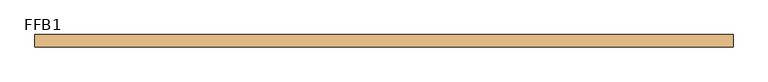
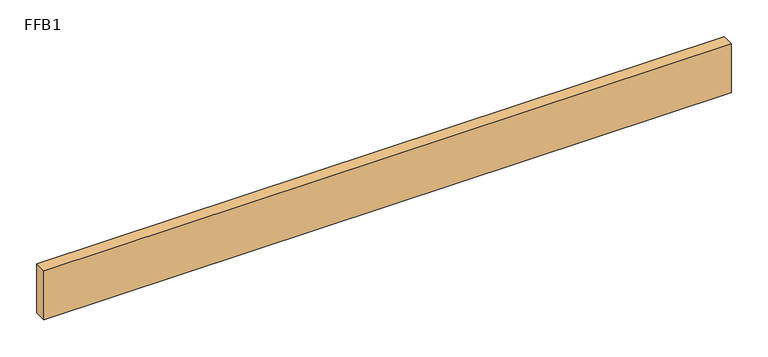
"""IFC4 building model written with IfcOpenShell, lengths in millimetres: door geometry, FFB1."""

import ifcopenshell
import ifcopenshell.guid

model = None  # the IFC model being written
_history = None  # IfcOwnerHistory: only IFC2X3 demands one
_inside = {}  # id of a spatial element -> (the spatial element, [elements in it])
_under = {}  # id of a project, library or spatial element -> (it, [spatial elements below it])
_declared = {}  # id of a project -> (the project, [libraries it declares])
_typed = {}  # id of a type object -> (the type object, [elements of that type])
_made_of = {}  # id of a material, layer set ... -> (it, [elements and type objects made of it])


def new_model(schema):
    """Start an empty IFC model of exactly this schema.

    Asked for "IFC4X3", IfcOpenShell would pick the latest addendum, in which some entities
    have other attributes; the version numbers below select the first issue.
    IFC2X3 requires an IfcOwnerHistory on every rooted entity: one is made here for all.
    """
    global model, _history
    if schema == "IFC4X3":
        model = ifcopenshell.file(schema_version=(4, 3, 0, 0))
    else:
        model = ifcopenshell.file(schema=schema)
    _inside.clear()
    _under.clear()
    _declared.clear()
    _typed.clear()
    _made_of.clear()
    _history = None
    if model.schema == "IFC2X3":
        org = make("IfcOrganization", Name="unknown")
        user = make(
            "IfcPersonAndOrganization",
            ThePerson=make("IfcPerson", FamilyName="unknown"),
            TheOrganization=org,
        )
        app = make(
            "IfcApplication",
            ApplicationDeveloper=org,
            Version="unknown",
            ApplicationFullName="unknown",
            ApplicationIdentifier="unknown",
        )
        _history = make(
            "IfcOwnerHistory",
            OwningUser=user,
            OwningApplication=app,
            ChangeAction="ADDED",
            CreationDate=0,
        )
    return model


def make(cls, **values):
    """One entity of the class cls with the attributes given. An attribute that is None is left unset."""
    return model.create_entity(
        cls, **{name: value for name, value in values.items() if value is not None}
    )


def rooted(cls, **values):
    """An entity with a GlobalId (a new one), such as an element, a storey or a relation."""
    return make(cls, GlobalId=ifcopenshell.guid.new(), OwnerHistory=_history, **values)


def si_unit(unit_type, name, prefix=None):
    """IfcSIUnit, for example si_unit("LENGTHUNIT", "METRE", prefix="MILLI")."""
    return make("IfcSIUnit", UnitType=unit_type, Prefix=prefix, Name=name)


def assignment(units):
    """IfcUnitAssignment: the units of a project."""
    return None if units is None else make("IfcUnitAssignment", Units=units)


def point(xyz):
    """IfcCartesianPoint."""
    return None if xyz is None else make("IfcCartesianPoint", Coordinates=xyz)


def direction(xyz):
    """IfcDirection."""
    return None if xyz is None else make("IfcDirection", DirectionRatios=xyz)


def frame(location, z_axis=None, x_axis=None):
    """IfcAxis2Placement3D, a coordinate frame: its origin and axes. An axis left out is left unset."""
    return make(
        "IfcAxis2Placement3D",
        Location=point(location),
        Axis=direction(z_axis),
        RefDirection=direction(x_axis),
    )


def origin():
    """The frame at (0, 0, 0) with its axes left unset."""
    return frame((0.0, 0.0, 0.0))


def origin_with_axes():
    """The frame at (0, 0, 0) with the z axis (0, 0, 1) and the x axis (1, 0, 0) written out."""
    return frame((0.0, 0.0, 0.0), z_axis=(0.0, 0.0, 1.0), x_axis=(1.0, 0.0, 0.0))


def place(relative_to, where):
    """IfcLocalPlacement: puts the frame where relative to a parent placement (None: the world)."""
    return make(
        "IfcLocalPlacement", PlacementRelTo=relative_to, RelativePlacement=where
    )


def context(
    kind, dimensions, precision=None, world=None, true_north=None, identifier=None
):
    """IfcGeometricRepresentationContext, for example the 3D "Model" context."""
    return make(
        "IfcGeometricRepresentationContext",
        ContextIdentifier=identifier,
        ContextType=kind,
        CoordinateSpaceDimension=dimensions,
        Precision=precision,
        WorldCoordinateSystem=world,
        TrueNorth=true_north,
    )


def project(units=None, contexts=None):
    """IfcProject with its units and contexts."""
    return rooted(
        "IfcProject",
        Name="project",
        RepresentationContexts=contexts,
        UnitsInContext=assignment(units),
    )


def spatial(cls, under=None, at=None, **own):
    """A site, building, storey or space (cls), placed at a placement, below another one or the project."""
    s = rooted(cls, ObjectPlacement=at, **own)
    if under is not None:
        _under.setdefault(under.id(), (under, []))[1].append(s)
    return s


def polyline(points):
    """IfcPolyline through the points."""
    return make("IfcPolyline", Points=[point(p) for p in points])


def outline(outer, holes=None, kind="AREA"):
    """IfcArbitraryClosedProfileDef: a profile drawn as a closed curve; with holes, ...WithVoids."""
    if holes is None:
        return make("IfcArbitraryClosedProfileDef", ProfileType=kind, OuterCurve=outer)
    return make(
        "IfcArbitraryProfileDefWithVoids",
        ProfileType=kind,
        OuterCurve=outer,
        InnerCurves=holes,
    )


def extrude(swept, where, along, depth):
    """IfcExtrudedAreaSolid: the profile swept, set in the frame where, extruded along a direction by depth."""
    return make(
        "IfcExtrudedAreaSolid",
        SweptArea=swept,
        Position=where,
        ExtrudedDirection=direction(along),
        Depth=depth,
    )


def shape(context_of_items, identifier, shape_type, items):
    """IfcShapeRepresentation: the items that make up one representation, for example the "Body"."""
    return make(
        "IfcShapeRepresentation",
        ContextOfItems=context_of_items,
        RepresentationIdentifier=identifier,
        RepresentationType=shape_type,
        Items=items,
    )


def source(mapping_origin, context_of_items, identifier, shape_type, items):
    """IfcRepresentationMap: a shape defined once, which mapped items show again and again."""
    return make(
        "IfcRepresentationMap",
        MappingOrigin=mapping_origin,
        MappedRepresentation=shape(context_of_items, identifier, shape_type, items),
    )


def transform(
    local_origin,
    x_axis=None,
    y_axis=None,
    z_axis=None,
    scale=None,
    scale2=None,
    scale3=None,
    uniform=True,
):
    """IfcCartesianTransformationOperator3D, or its non-uniform kind. x_axis, y_axis, z_axis: its Axis1, 2, 3."""
    if uniform:
        return make(
            "IfcCartesianTransformationOperator3D",
            Axis1=direction(x_axis),
            Axis2=direction(y_axis),
            LocalOrigin=point(local_origin),
            Scale=scale,
            Axis3=direction(z_axis),
        )
    return make(
        "IfcCartesianTransformationOperator3DnonUniform",
        Axis1=direction(x_axis),
        Axis2=direction(y_axis),
        LocalOrigin=point(local_origin),
        Scale=scale,
        Axis3=direction(z_axis),
        Scale2=scale2,
        Scale3=scale3,
    )


def mapped(mapping_source, mapping_target):
    """IfcMappedItem: shows the shape of a source again, moved by a transform."""
    return make(
        "IfcMappedItem", MappingSource=mapping_source, MappingTarget=mapping_target
    )


def made_of(thing, what):
    """Note that an element or type object is made of a material, layer set ...; save() writes the relation."""
    if what is not None:
        _made_of.setdefault(what.id(), (what, []))[1].append(thing)
    return thing


def element(
    cls,
    number,
    at=None,
    inside=None,
    cuts=None,
    type_object=None,
    material=None,
    context=None,
    identifier="Body",
    shape_type=None,
    held_by="IfcProductDefinitionShape",
    body=None,
    shapes=None,
    **own,
):
    """One element of the class cls, such as IfcWall. Its Tag is "e" and its number.

    at: its placement. inside: the storey or other place that contains it. cuts: it is an
    opening in that element (IfcRelVoidsElement). A single representation is given by context,
    identifier, shape_type and body (its items); several are given by shapes. held_by: the class
    of the entity that holds the representations. save() writes the other relations.
    """
    e = rooted(cls, Tag="e%d" % number, ObjectPlacement=at, **own)
    if body is not None:
        shapes = [shape(context, identifier, shape_type, body)]
    if shapes is not None:
        e.Representation = make(held_by, Representations=shapes)
    if inside is not None:
        _inside.setdefault(inside.id(), (inside, []))[1].append(e)
    if cuts is not None:
        rooted(
            "IfcRelVoidsElement", RelatingBuildingElement=cuts, RelatedOpeningElement=e
        )
    if type_object is not None:
        _typed.setdefault(type_object.id(), (type_object, []))[1].append(e)
    return made_of(e, material)


def aggregate(whole, parts):
    """IfcRelAggregates: a whole, such as a stair, and the parts it consists of."""
    return rooted("IfcRelAggregates", RelatingObject=whole, RelatedObjects=parts)


def save(model, path):
    """Write the relations noted so far, then the file.

    IfcRelAggregates (storeys below a building ...), IfcRelContainedInSpatialStructure (elements
    in a storey), IfcRelDefinesByType, IfcRelAssociatesMaterial and IfcRelDeclares: one each for
    every whole, place, type object, material and project.
    """
    for whole, parts in _under.values():
        aggregate(whole, parts)
    for where, things in _inside.values():
        rooted(
            "IfcRelContainedInSpatialStructure",
            RelatedElements=things,
            RelatingStructure=where,
        )
    for kind, things in _typed.values():
        rooted("IfcRelDefinesByType", RelatedObjects=things, RelatingType=kind)
    for what, things in _made_of.values():
        rooted("IfcRelAssociatesMaterial", RelatedObjects=things, RelatingMaterial=what)
    for by, libraries in _declared.values():
        rooted("IfcRelDeclares", RelatingContext=by, RelatedDefinitions=libraries)
    model.write(path)


def ffb1_c36aa7eb(model_context):
    return source(origin(), model_context, "Body", "SweptSolid", [
        extrude(outline(polyline([(539.75, 0.0), (-539.75, 0.0), (-539.75, 19.05), (539.75, 19.05), (539.75, 0.0)])), origin_with_axes(), (0.0, 0.0, 1.0), 81.28),
    ])


if __name__ == "__main__":
    model = new_model("IFC4")
    model_context = context("Model", 3, world=origin())
    ifc_project = project(units=[si_unit("LENGTHUNIT", "METRE", prefix="MILLI")], contexts=[model_context])
    site = spatial("IfcSite", under=ifc_project)
    building = spatial("IfcBuilding", under=site)
    placement = place(None, origin())
    ffb1_shape = ffb1_c36aa7eb(model_context)
    element("IfcDoor", 1, ObjectType="FFB1", at=placement, inside=building, context=model_context, shape_type="MappedRepresentation", body=[
        mapped(ffb1_shape, transform((0.0, 0.0, 0.0), x_axis=(1.0, 0.0, 0.0), y_axis=(0.0, 1.0, 0.0), z_axis=(0.0, 0.0, 1.0))),
    ])
    save(model, "model.ifc")
